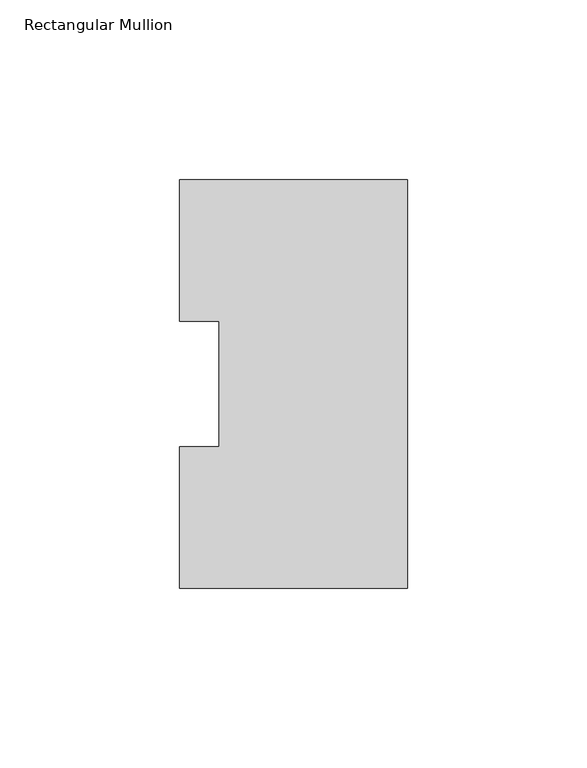
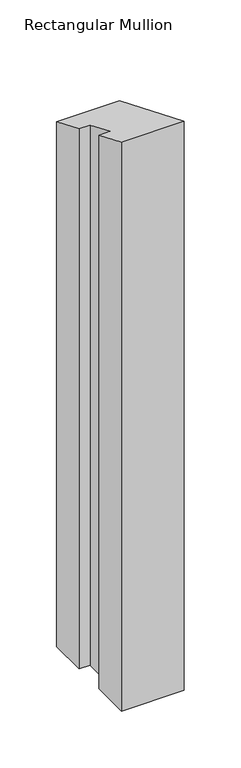
"""IFC4 building model written with IfcOpenShell, lengths in millimetres: member geometry, Rectangular Mullion."""

from ifc_helpers import new_model, si_unit, origin, place, context, project, spatial, faceted_brep, source, transform, mapped, element, save


def rectangular_mullion_0c012c0a(model_context):
    return source(origin(), model_context, "Body", "Brep", [
        faceted_brep([(0.0, 114.017425, -609.587333), (0.0, 0.225425, -609.587333), (-63.5, 0.225425, -609.587333), (-63.5, 39.646225, -609.587333), (-52.3875, 39.646225, -609.587333), (-52.3875, 74.596625, -609.587333), (-63.5, 74.596625, -609.587333), (-63.5, 114.017425, -609.587333), (-63.5, 114.017425, -47.2275638), (0.0, 114.017425, -47.2275638), (-63.5, 74.596625, -30.8989338), (-52.3875, 74.596625, -30.8989338), (-52.3875, 39.646225, -16.4220041), (-63.5, 39.646225, -16.4220041), (-63.5, 0.225425, -0.0933741), (0.0, 0.225425, -0.0933741)], [[[0, 1, 2, 3, 4, 5, 6, 7]], [[8, 9, 0, 7]], [[10, 8, 7, 6]], [[11, 10, 6, 5]], [[12, 11, 5, 4]], [[13, 12, 4, 3]], [[14, 13, 3, 2]], [[15, 14, 2, 1]], [[9, 15, 1, 0]], [[9, 8, 10, 11, 12, 13, 14, 15]]]),
    ])


if __name__ == "__main__":
    model = new_model("IFC4")
    model_context = context("Model", 3, world=origin())
    ifc_project = project(units=[si_unit("LENGTHUNIT", "METRE", prefix="MILLI")], contexts=[model_context])
    site = spatial("IfcSite", under=ifc_project)
    building = spatial("IfcBuilding", under=site)
    placement = place(None, origin())
    rectangular_mullion_shape = rectangular_mullion_0c012c0a(model_context)
    element("IfcMember", 1, ObjectType="Rectangular Mullion", at=placement, inside=building, context=model_context, shape_type="MappedRepresentation", body=[
        mapped(rectangular_mullion_shape, transform((0.0, 0.0, 0.0), x_axis=(1.0, 0.0, 0.0), y_axis=(0.0, 1.0, 0.0), z_axis=(0.0, 0.0, 1.0))),
    ])
    save(model, "model.ifc")
